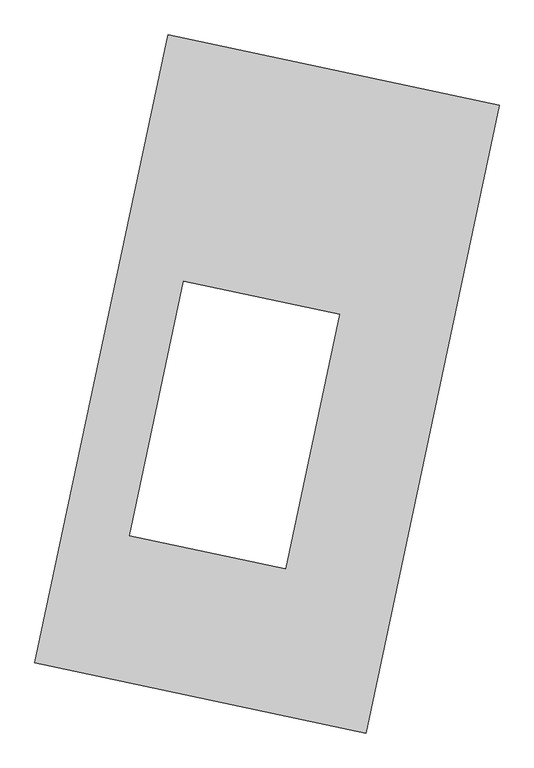
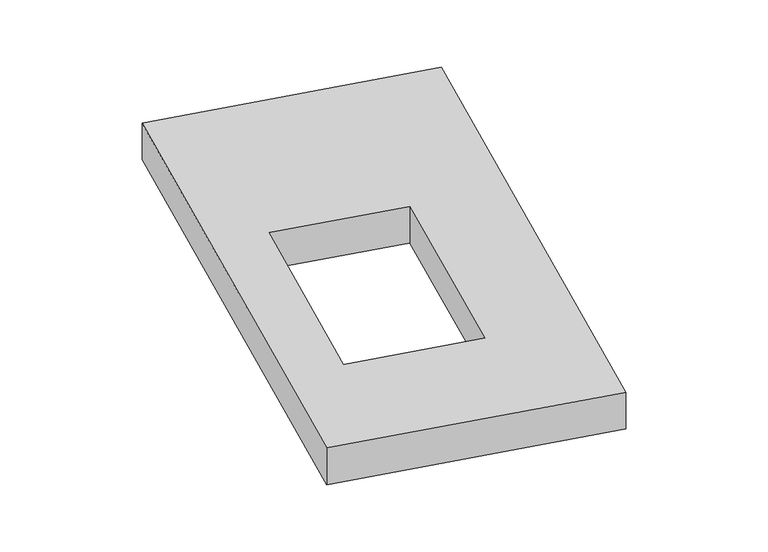
"""IFC4 building model written with IfcOpenShell, lengths in millimetres: proxy geometry."""

import ifcopenshell
import ifcopenshell.guid

model = None  # the IFC model being written
_history = None  # IfcOwnerHistory: only IFC2X3 demands one
_inside = {}  # id of a spatial element -> (the spatial element, [elements in it])
_under = {}  # id of a project, library or spatial element -> (it, [spatial elements below it])
_declared = {}  # id of a project -> (the project, [libraries it declares])
_typed = {}  # id of a type object -> (the type object, [elements of that type])
_made_of = {}  # id of a material, layer set ... -> (it, [elements and type objects made of it])


def new_model(schema):
    """Start an empty IFC model of exactly this schema.

    Asked for "IFC4X3", IfcOpenShell would pick the latest addendum, in which some entities
    have other attributes; the version numbers below select the first issue.
    IFC2X3 requires an IfcOwnerHistory on every rooted entity: one is made here for all.
    """
    global model, _history
    if schema == "IFC4X3":
        model = ifcopenshell.file(schema_version=(4, 3, 0, 0))
    else:
        model = ifcopenshell.file(schema=schema)
    _inside.clear()
    _under.clear()
    _declared.clear()
    _typed.clear()
    _made_of.clear()
    _history = None
    if model.schema == "IFC2X3":
        org = make("IfcOrganization", Name="unknown")
        user = make(
            "IfcPersonAndOrganization",
            ThePerson=make("IfcPerson", FamilyName="unknown"),
            TheOrganization=org,
        )
        app = make(
            "IfcApplication",
            ApplicationDeveloper=org,
            Version="unknown",
            ApplicationFullName="unknown",
            ApplicationIdentifier="unknown",
        )
        _history = make(
            "IfcOwnerHistory",
            OwningUser=user,
            OwningApplication=app,
            ChangeAction="ADDED",
            CreationDate=0,
        )
    return model


def make(cls, **values):
    """One entity of the class cls with the attributes given. An attribute that is None is left unset."""
    return model.create_entity(
        cls, **{name: value for name, value in values.items() if value is not None}
    )


def rooted(cls, **values):
    """An entity with a GlobalId (a new one), such as an element, a storey or a relation."""
    return make(cls, GlobalId=ifcopenshell.guid.new(), OwnerHistory=_history, **values)


def si_unit(unit_type, name, prefix=None):
    """IfcSIUnit, for example si_unit("LENGTHUNIT", "METRE", prefix="MILLI")."""
    return make("IfcSIUnit", UnitType=unit_type, Prefix=prefix, Name=name)


def assignment(units):
    """IfcUnitAssignment: the units of a project."""
    return None if units is None else make("IfcUnitAssignment", Units=units)


def point(xyz):
    """IfcCartesianPoint."""
    return None if xyz is None else make("IfcCartesianPoint", Coordinates=xyz)


def direction(xyz):
    """IfcDirection."""
    return None if xyz is None else make("IfcDirection", DirectionRatios=xyz)


def frame(location, z_axis=None, x_axis=None):
    """IfcAxis2Placement3D, a coordinate frame: its origin and axes. An axis left out is left unset."""
    return make(
        "IfcAxis2Placement3D",
        Location=point(location),
        Axis=direction(z_axis),
        RefDirection=direction(x_axis),
    )


def origin():
    """The frame at (0, 0, 0) with its axes left unset."""
    return frame((0.0, 0.0, 0.0))


def origin_with_axes():
    """The frame at (0, 0, 0) with the z axis (0, 0, 1) and the x axis (1, 0, 0) written out."""
    return frame((0.0, 0.0, 0.0), z_axis=(0.0, 0.0, 1.0), x_axis=(1.0, 0.0, 0.0))


def place(relative_to, where):
    """IfcLocalPlacement: puts the frame where relative to a parent placement (None: the world)."""
    return make(
        "IfcLocalPlacement", PlacementRelTo=relative_to, RelativePlacement=where
    )


def context(
    kind, dimensions, precision=None, world=None, true_north=None, identifier=None
):
    """IfcGeometricRepresentationContext, for example the 3D "Model" context."""
    return make(
        "IfcGeometricRepresentationContext",
        ContextIdentifier=identifier,
        ContextType=kind,
        CoordinateSpaceDimension=dimensions,
        Precision=precision,
        WorldCoordinateSystem=world,
        TrueNorth=true_north,
    )


def project(units=None, contexts=None):
    """IfcProject with its units and contexts."""
    return rooted(
        "IfcProject",
        Name="project",
        RepresentationContexts=contexts,
        UnitsInContext=assignment(units),
    )


def spatial(cls, under=None, at=None, **own):
    """A site, building, storey or space (cls), placed at a placement, below another one or the project."""
    s = rooted(cls, ObjectPlacement=at, **own)
    if under is not None:
        _under.setdefault(under.id(), (under, []))[1].append(s)
    return s


def polyline(points):
    """IfcPolyline through the points."""
    return make("IfcPolyline", Points=[point(p) for p in points])


def outline(outer, holes=None, kind="AREA"):
    """IfcArbitraryClosedProfileDef: a profile drawn as a closed curve; with holes, ...WithVoids."""
    if holes is None:
        return make("IfcArbitraryClosedProfileDef", ProfileType=kind, OuterCurve=outer)
    return make(
        "IfcArbitraryProfileDefWithVoids",
        ProfileType=kind,
        OuterCurve=outer,
        InnerCurves=holes,
    )


def extrude(swept, where, along, depth):
    """IfcExtrudedAreaSolid: the profile swept, set in the frame where, extruded along a direction by depth."""
    return make(
        "IfcExtrudedAreaSolid",
        SweptArea=swept,
        Position=where,
        ExtrudedDirection=direction(along),
        Depth=depth,
    )


def shape(context_of_items, identifier, shape_type, items):
    """IfcShapeRepresentation: the items that make up one representation, for example the "Body"."""
    return make(
        "IfcShapeRepresentation",
        ContextOfItems=context_of_items,
        RepresentationIdentifier=identifier,
        RepresentationType=shape_type,
        Items=items,
    )


def source(mapping_origin, context_of_items, identifier, shape_type, items):
    """IfcRepresentationMap: a shape defined once, which mapped items show again and again."""
    return make(
        "IfcRepresentationMap",
        MappingOrigin=mapping_origin,
        MappedRepresentation=shape(context_of_items, identifier, shape_type, items),
    )


def transform(
    local_origin,
    x_axis=None,
    y_axis=None,
    z_axis=None,
    scale=None,
    scale2=None,
    scale3=None,
    uniform=True,
):
    """IfcCartesianTransformationOperator3D, or its non-uniform kind. x_axis, y_axis, z_axis: its Axis1, 2, 3."""
    if uniform:
        return make(
            "IfcCartesianTransformationOperator3D",
            Axis1=direction(x_axis),
            Axis2=direction(y_axis),
            LocalOrigin=point(local_origin),
            Scale=scale,
            Axis3=direction(z_axis),
        )
    return make(
        "IfcCartesianTransformationOperator3DnonUniform",
        Axis1=direction(x_axis),
        Axis2=direction(y_axis),
        LocalOrigin=point(local_origin),
        Scale=scale,
        Axis3=direction(z_axis),
        Scale2=scale2,
        Scale3=scale3,
    )


def mapped(mapping_source, mapping_target):
    """IfcMappedItem: shows the shape of a source again, moved by a transform."""
    return make(
        "IfcMappedItem", MappingSource=mapping_source, MappingTarget=mapping_target
    )


def made_of(thing, what):
    """Note that an element or type object is made of a material, layer set ...; save() writes the relation."""
    if what is not None:
        _made_of.setdefault(what.id(), (what, []))[1].append(thing)
    return thing


def element(
    cls,
    number,
    at=None,
    inside=None,
    cuts=None,
    type_object=None,
    material=None,
    context=None,
    identifier="Body",
    shape_type=None,
    held_by="IfcProductDefinitionShape",
    body=None,
    shapes=None,
    **own,
):
    """One element of the class cls, such as IfcWall. Its Tag is "e" and its number.

    at: its placement. inside: the storey or other place that contains it. cuts: it is an
    opening in that element (IfcRelVoidsElement). A single representation is given by context,
    identifier, shape_type and body (its items); several are given by shapes. held_by: the class
    of the entity that holds the representations. save() writes the other relations.
    """
    e = rooted(cls, Tag="e%d" % number, ObjectPlacement=at, **own)
    if body is not None:
        shapes = [shape(context, identifier, shape_type, body)]
    if shapes is not None:
        e.Representation = make(held_by, Representations=shapes)
    if inside is not None:
        _inside.setdefault(inside.id(), (inside, []))[1].append(e)
    if cuts is not None:
        rooted(
            "IfcRelVoidsElement", RelatingBuildingElement=cuts, RelatedOpeningElement=e
        )
    if type_object is not None:
        _typed.setdefault(type_object.id(), (type_object, []))[1].append(e)
    return made_of(e, material)


def aggregate(whole, parts):
    """IfcRelAggregates: a whole, such as a stair, and the parts it consists of."""
    return rooted("IfcRelAggregates", RelatingObject=whole, RelatedObjects=parts)


def save(model, path):
    """Write the relations noted so far, then the file.

    IfcRelAggregates (storeys below a building ...), IfcRelContainedInSpatialStructure (elements
    in a storey), IfcRelDefinesByType, IfcRelAssociatesMaterial and IfcRelDeclares: one each for
    every whole, place, type object, material and project.
    """
    for whole, parts in _under.values():
        aggregate(whole, parts)
    for where, things in _inside.values():
        rooted(
            "IfcRelContainedInSpatialStructure",
            RelatedElements=things,
            RelatingStructure=where,
        )
    for kind, things in _typed.values():
        rooted("IfcRelDefinesByType", RelatedObjects=things, RelatingType=kind)
    for what, things in _made_of.values():
        rooted("IfcRelAssociatesMaterial", RelatedObjects=things, RelatingMaterial=what)
    for by, libraries in _declared.values():
        rooted("IfcRelDeclares", RelatingContext=by, RelatedDefinitions=libraries)
    model.write(path)


def generic_models_7f1ff9b1(model_context):
    return source(origin(), model_context, "Body", "SweptSolid", [
        extrude(outline(polyline([(-617.3692021, 2175.5580432), (1447.7508745, 1737.3010494), (617.3692021, -2175.5580432), (-1447.7508745, -1737.3010494), (-617.3692021, 2175.5580432)]), holes=[polyline([(450.8598922, 433.8602289), (-519.3884481, 639.7650214), (-855.7502103, -945.2123731), (114.49813, -1151.1171656), (450.8598922, 433.8602289)])]), origin_with_axes(), (0.0, 0.0, 1.0), 300.0),
    ])


if __name__ == "__main__":
    model = new_model("IFC4")
    model_context = context("Model", 3, world=origin())
    ifc_project = project(units=[si_unit("LENGTHUNIT", "METRE", prefix="MILLI")], contexts=[model_context])
    site = spatial("IfcSite", under=ifc_project)
    building = spatial("IfcBuilding", under=site)
    placement = place(None, origin())
    generic_models_shape = generic_models_7f1ff9b1(model_context)
    element("IfcBuildingElementProxy", 1, Name="Generic Models", at=placement, inside=building, context=model_context, shape_type="MappedRepresentation", body=[
        mapped(generic_models_shape, transform((0.0, 0.0, 0.0), x_axis=(1.0, 0.0, 0.0), y_axis=(0.0, 1.0, 0.0), z_axis=(0.0, 0.0, 1.0))),
    ])
    save(model, "model.ifc")
